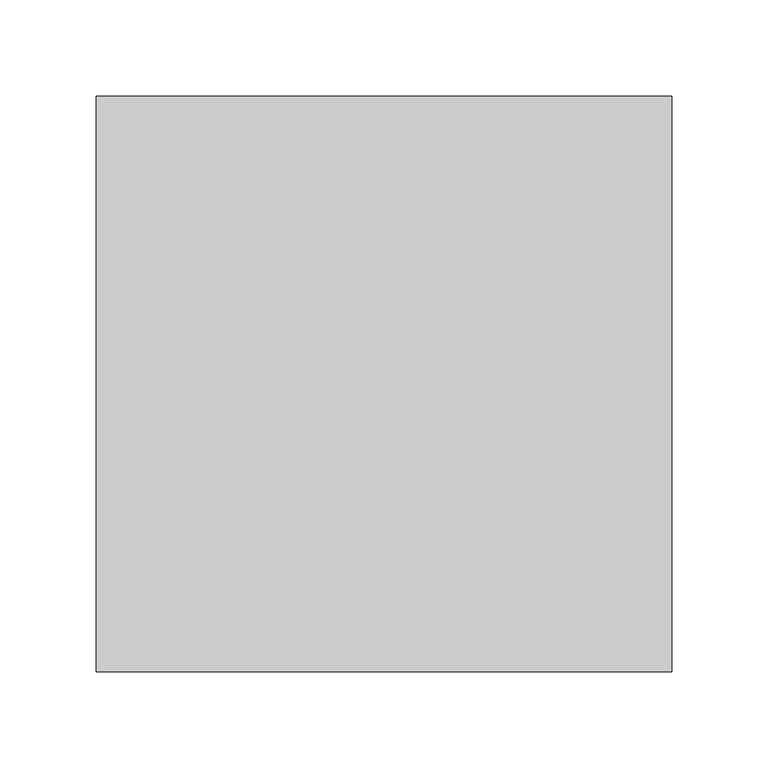
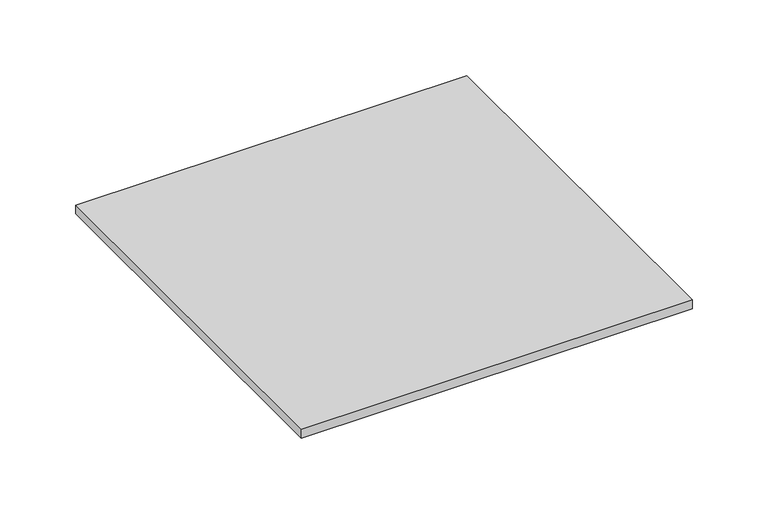
"""IFC4 building model written with IfcOpenShell, lengths in millimetres: air terminal geometry."""

from ifc_helpers import new_model, si_unit, frame, origin, origin_with_axes, place, context, project, spatial, polyline, outline, extrude, source, transform, mapped, element, save


def air_terminal_a0e96626(model_context):
    return source(origin(), model_context, "Body", "SweptSolid", [
        extrude(outline(polyline([(-129.5, 129.5), (129.5, 129.5), (129.5, -129.5), (-129.5, -129.5), (-129.5, 129.5)])), frame((0.0, 0.0, -1.1), z_axis=(0.0, 0.0, 1.0), x_axis=(1.0, 0.0, 0.0)), (0.0, 0.0, 1.0), 0.2),
        extrude(outline(polyline([(-149.5, -149.5), (-149.5, 149.5), (149.5, 149.5), (149.5, -149.5), (-149.5, -149.5)])), origin_with_axes(), (0.0, 0.0, 1.0), 7.0),
    ])


if __name__ == "__main__":
    model = new_model("IFC4")
    model_context = context("Model", 3, world=origin())
    ifc_project = project(units=[si_unit("LENGTHUNIT", "METRE", prefix="MILLI")], contexts=[model_context])
    site = spatial("IfcSite", under=ifc_project)
    building = spatial("IfcBuilding", under=site)
    placement = place(None, origin())
    air_terminal_shape = air_terminal_a0e96626(model_context)
    element("IfcAirTerminal", 1, at=placement, inside=building, context=model_context, shape_type="MappedRepresentation", body=[
        mapped(air_terminal_shape, transform((0.0, 0.0, 0.0), x_axis=(1.0, 0.0, 0.0), y_axis=(0.0, 1.0, 0.0), z_axis=(0.0, 0.0, 1.0))),
    ])
    save(model, "model.ifc")
